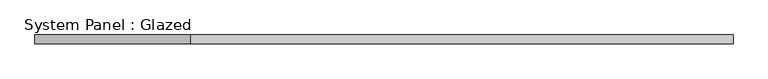
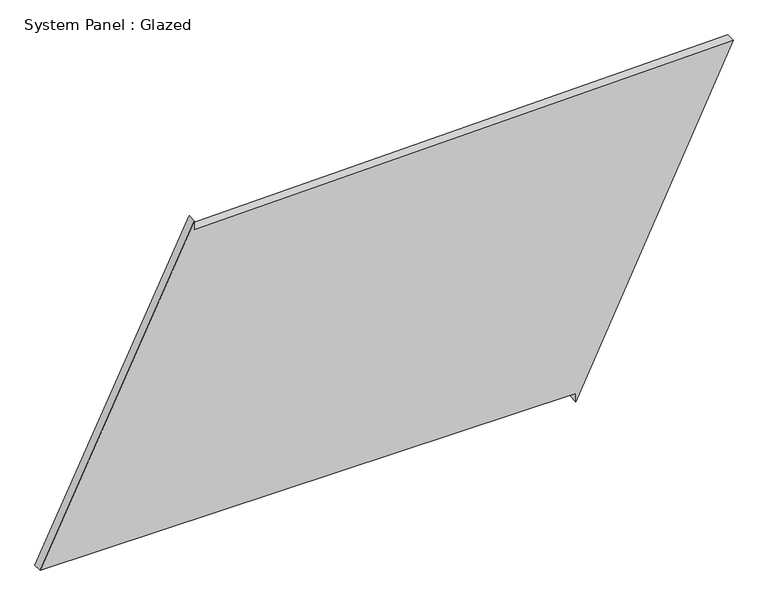
"""IFC4 building model written with IfcOpenShell, lengths in millimetres: plate geometry, System Panel : Glazed."""

from ifc_helpers import new_model, si_unit, frame, origin, place, context, project, spatial, polyline, outline, extrude, source, transform, mapped, element, save


def system_panel_glazed_57475094(model_context):
    return source(origin(), model_context, "Body", "SweptSolid", [
        extrude(outline(polyline([(25.0, 529.2086418), (0.0, 529.2086418), (916.0412679, 968.8050018), (883.2600385, -537.215978), (908.2541182, -537.7600187), (25.0, -968.8050018), (25.0, 529.2086418)])), frame((0.0, -49.5, 0.0), z_axis=(0.0, 1.0, 0.0), x_axis=(0.0, 0.0, 1.0)), (0.0, 0.0, 1.0), 25.0),
    ])


if __name__ == "__main__":
    model = new_model("IFC4")
    model_context = context("Model", 3, world=origin())
    ifc_project = project(units=[si_unit("LENGTHUNIT", "METRE", prefix="MILLI")], contexts=[model_context])
    site = spatial("IfcSite", under=ifc_project)
    building = spatial("IfcBuilding", under=site)
    placement = place(None, origin())
    system_panel_glazed_shape = system_panel_glazed_57475094(model_context)
    element("IfcPlate", 1, ObjectType="System Panel : Glazed", at=placement, inside=building, context=model_context, shape_type="MappedRepresentation", body=[
        mapped(system_panel_glazed_shape, transform((0.0, 0.0, 0.0), x_axis=(1.0, 0.0, 0.0), y_axis=(0.0, 1.0, 0.0), z_axis=(0.0, 0.0, 1.0))),
    ])
    save(model, "model.ifc")
